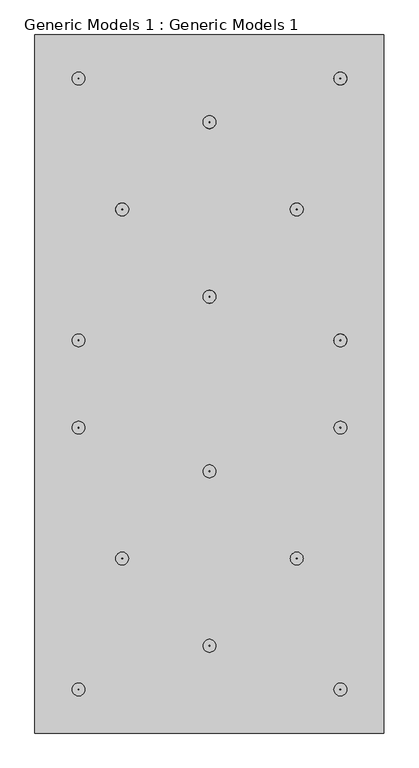
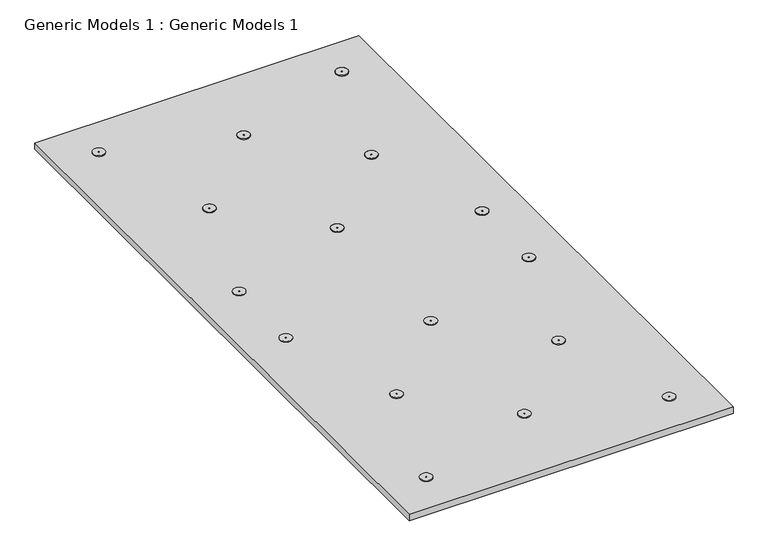
"""IFC4 building model written with IfcOpenShell, lengths in millimetres: proxy geometry, Generic Models 1 : Generic Models 1."""

from ifc_helpers import new_model, si_unit, point, frame, frame_2d, origin, origin_with_axes, place, context, project, spatial, polyline, circle_curve, trimmed, segment, composite_curve, outline, extrude, source, transform, mapped, element, save


def generic_models_1_generic_models_1_ca8e3b29(model_context):
    return source(origin(), model_context, "Body", "SweptSolid", [
        extrude(outline(composite_curve([segment(trimmed(circle_curve(frame_2d((117.2726139, 1435.1286599)), 22.225), [point((117.2726139, 1412.9036599))], [point((117.2726139, 1457.3536599))], False, "CARTESIAN"), True, "CONTINUOUS"), segment(trimmed(circle_curve(frame_2d((117.2726139, 1435.1286599)), 22.225), [point((117.2726139, 1457.3536599))], [point((117.2726139, 1412.9036599))], False, "CARTESIAN"), True, "CONTINUOUS")], self_intersect=False), holes=[composite_curve([segment(trimmed(circle_curve(frame_2d((117.2726139, 1435.1286599)), 1.5875), [point((117.2726139, 1433.5411599))], [point((117.2726139, 1436.7161599))], True, "CARTESIAN"), True, "CONTINUOUS"), segment(trimmed(circle_curve(frame_2d((117.2726139, 1435.1286599)), 1.5875), [point((117.2726139, 1436.7161599))], [point((117.2726139, 1433.5411599))], True, "CARTESIAN"), True, "CONTINUOUS")], self_intersect=False)]), frame((0.0, 0.0, 25.4), z_axis=(0.0, 0.0, 1.0), x_axis=(1.0, 0.0, 0.0)), (0.0, 0.0, 1.0), 3.175),
        extrude(outline(composite_curve([segment(trimmed(circle_curve(frame_2d((-339.9273861, 1587.5286599)), 22.225), [point((-339.9273861, 1565.3036599))], [point((-339.9273861, 1609.7536599))], False, "CARTESIAN"), True, "CONTINUOUS"), segment(trimmed(circle_curve(frame_2d((-339.9273861, 1587.5286599)), 22.225), [point((-339.9273861, 1609.7536599))], [point((-339.9273861, 1565.3036599))], False, "CARTESIAN"), True, "CONTINUOUS")], self_intersect=False), holes=[composite_curve([segment(trimmed(circle_curve(frame_2d((-339.9273861, 1587.5286599)), 1.5875), [point((-339.9273861, 1585.9411599))], [point((-339.9273861, 1589.1161599))], True, "CARTESIAN"), True, "CONTINUOUS"), segment(trimmed(circle_curve(frame_2d((-339.9273861, 1587.5286599)), 1.5875), [point((-339.9273861, 1589.1161599))], [point((-339.9273861, 1585.9411599))], True, "CARTESIAN"), True, "CONTINUOUS")], self_intersect=False)]), frame((0.0, 0.0, 25.4), z_axis=(0.0, 0.0, 1.0), x_axis=(1.0, 0.0, 0.0)), (0.0, 0.0, 1.0), 3.175),
        extrude(outline(composite_curve([segment(trimmed(circle_curve(frame_2d((-644.7273861, 1892.3286599)), 22.225), [point((-644.7273861, 1870.1036599))], [point((-644.7273861, 1914.5536599))], False, "CARTESIAN"), True, "CONTINUOUS"), segment(trimmed(circle_curve(frame_2d((-644.7273861, 1892.3286599)), 22.225), [point((-644.7273861, 1914.5536599))], [point((-644.7273861, 1870.1036599))], False, "CARTESIAN"), True, "CONTINUOUS")], self_intersect=False), holes=[composite_curve([segment(trimmed(circle_curve(frame_2d((-644.7273861, 1892.3286599)), 1.5875), [point((-644.7273861, 1890.7411599))], [point((-644.7273861, 1893.9161599))], True, "CARTESIAN"), True, "CONTINUOUS"), segment(trimmed(circle_curve(frame_2d((-644.7273861, 1892.3286599)), 1.5875), [point((-644.7273861, 1893.9161599))], [point((-644.7273861, 1890.7411599))], True, "CARTESIAN"), True, "CONTINUOUS")], self_intersect=False)]), frame((0.0, 0.0, 25.4), z_axis=(0.0, 0.0, 1.0), x_axis=(1.0, 0.0, 0.0)), (0.0, 0.0, 1.0), 3.175),
        extrude(outline(composite_curve([segment(trimmed(circle_curve(frame_2d((-339.9273861, 2197.1286599)), 22.225), [point((-339.9273861, 2174.9036599))], [point((-339.9273861, 2219.3536599))], False, "CARTESIAN"), True, "CONTINUOUS"), segment(trimmed(circle_curve(frame_2d((-339.9273861, 2197.1286599)), 22.225), [point((-339.9273861, 2219.3536599))], [point((-339.9273861, 2174.9036599))], False, "CARTESIAN"), True, "CONTINUOUS")], self_intersect=False), holes=[composite_curve([segment(trimmed(circle_curve(frame_2d((-339.9273861, 2197.1286599)), 1.5875), [point((-339.9273861, 2195.5411599))], [point((-339.9273861, 2198.7161599))], True, "CARTESIAN"), True, "CONTINUOUS"), segment(trimmed(circle_curve(frame_2d((-339.9273861, 2197.1286599)), 1.5875), [point((-339.9273861, 2198.7161599))], [point((-339.9273861, 2195.5411599))], True, "CARTESIAN"), True, "CONTINUOUS")], self_intersect=False)]), frame((0.0, 0.0, 25.4), z_axis=(0.0, 0.0, 1.0), x_axis=(1.0, 0.0, 0.0)), (0.0, 0.0, 1.0), 3.175),
        extrude(outline(composite_curve([segment(trimmed(circle_curve(frame_2d((-35.1273861, 1892.3286599)), 22.225), [point((-35.1273861, 1870.1036599))], [point((-35.1273861, 1914.5536599))], False, "CARTESIAN"), True, "CONTINUOUS"), segment(trimmed(circle_curve(frame_2d((-35.1273861, 1892.3286599)), 22.225), [point((-35.1273861, 1914.5536599))], [point((-35.1273861, 1870.1036599))], False, "CARTESIAN"), True, "CONTINUOUS")], self_intersect=False), holes=[composite_curve([segment(trimmed(circle_curve(frame_2d((-35.1273861, 1892.3286599)), 1.5875), [point((-35.1273861, 1890.7411599))], [point((-35.1273861, 1893.9161599))], True, "CARTESIAN"), True, "CONTINUOUS"), segment(trimmed(circle_curve(frame_2d((-35.1273861, 1892.3286599)), 1.5875), [point((-35.1273861, 1893.9161599))], [point((-35.1273861, 1890.7411599))], True, "CARTESIAN"), True, "CONTINUOUS")], self_intersect=False)]), frame((0.0, 0.0, 25.4), z_axis=(0.0, 0.0, 1.0), x_axis=(1.0, 0.0, 0.0)), (0.0, 0.0, 1.0), 3.175),
        extrude(outline(composite_curve([segment(trimmed(circle_curve(frame_2d((117.2726139, 2349.5286599)), 22.225), [point((117.2726139, 2327.3036599))], [point((117.2726139, 2371.7536599))], False, "CARTESIAN"), True, "CONTINUOUS"), segment(trimmed(circle_curve(frame_2d((117.2726139, 2349.5286599)), 22.225), [point((117.2726139, 2371.7536599))], [point((117.2726139, 2327.3036599))], False, "CARTESIAN"), True, "CONTINUOUS")], self_intersect=False), holes=[composite_curve([segment(trimmed(circle_curve(frame_2d((117.2726139, 2349.5286599)), 1.5875), [point((117.2726139, 2347.9411599))], [point((117.2726139, 2351.1161599))], True, "CARTESIAN"), True, "CONTINUOUS"), segment(trimmed(circle_curve(frame_2d((117.2726139, 2349.5286599)), 1.5875), [point((117.2726139, 2351.1161599))], [point((117.2726139, 2347.9411599))], True, "CARTESIAN"), True, "CONTINUOUS")], self_intersect=False)]), frame((0.0, 0.0, 25.4), z_axis=(0.0, 0.0, 1.0), x_axis=(1.0, 0.0, 0.0)), (0.0, 0.0, 1.0), 3.175),
        extrude(outline(composite_curve([segment(trimmed(circle_curve(frame_2d((-797.1273861, 1130.3286599)), 22.225), [point((-819.3523861, 1130.3286599))], [point((-774.9023861, 1130.3286599))], False, "CARTESIAN"), True, "CONTINUOUS"), segment(trimmed(circle_curve(frame_2d((-797.1273861, 1130.3286599)), 22.225), [point((-774.9023861, 1130.3286599))], [point((-819.3523861, 1130.3286599))], False, "CARTESIAN"), True, "CONTINUOUS")], self_intersect=False), holes=[composite_curve([segment(trimmed(circle_curve(frame_2d((-797.1273861, 1130.3286599)), 1.5875), [point((-798.7148861, 1130.3286599))], [point((-795.5398861, 1130.3286599))], True, "CARTESIAN"), True, "CONTINUOUS"), segment(trimmed(circle_curve(frame_2d((-797.1273861, 1130.3286599)), 1.5875), [point((-795.5398861, 1130.3286599))], [point((-798.7148861, 1130.3286599))], True, "CARTESIAN"), True, "CONTINUOUS")], self_intersect=False)]), frame((0.0, 0.0, 25.4), z_axis=(0.0, 0.0, 1.0), x_axis=(1.0, 0.0, 0.0)), (0.0, 0.0, 1.0), 3.175),
        extrude(outline(composite_curve([segment(trimmed(circle_curve(frame_2d((117.2726139, 1130.3286599)), 22.225), [point((95.0476139, 1130.3286599))], [point((139.4976139, 1130.3286599))], False, "CARTESIAN"), True, "CONTINUOUS"), segment(trimmed(circle_curve(frame_2d((117.2726139, 1130.3286599)), 22.225), [point((139.4976139, 1130.3286599))], [point((95.0476139, 1130.3286599))], False, "CARTESIAN"), True, "CONTINUOUS")], self_intersect=False), holes=[composite_curve([segment(trimmed(circle_curve(frame_2d((117.2726139, 1130.3286599)), 1.5875), [point((115.6851139, 1130.3286599))], [point((118.8601139, 1130.3286599))], True, "CARTESIAN"), True, "CONTINUOUS"), segment(trimmed(circle_curve(frame_2d((117.2726139, 1130.3286599)), 1.5875), [point((118.8601139, 1130.3286599))], [point((115.6851139, 1130.3286599))], True, "CARTESIAN"), True, "CONTINUOUS")], self_intersect=False)]), frame((0.0, 0.0, 25.4), z_axis=(0.0, 0.0, 1.0), x_axis=(1.0, 0.0, 0.0)), (0.0, 0.0, 1.0), 3.175),
        extrude(outline(composite_curve([segment(trimmed(circle_curve(frame_2d((-35.1273861, 673.1286599)), 22.225), [point((-57.3523861, 673.1286599))], [point((-12.9023861, 673.1286599))], False, "CARTESIAN"), True, "CONTINUOUS"), segment(trimmed(circle_curve(frame_2d((-35.1273861, 673.1286599)), 22.225), [point((-12.9023861, 673.1286599))], [point((-57.3523861, 673.1286599))], False, "CARTESIAN"), True, "CONTINUOUS")], self_intersect=False), holes=[composite_curve([segment(trimmed(circle_curve(frame_2d((-35.1273861, 673.1286599)), 1.5875), [point((-36.7148861, 673.1286599))], [point((-33.5398861, 673.1286599))], True, "CARTESIAN"), True, "CONTINUOUS"), segment(trimmed(circle_curve(frame_2d((-35.1273861, 673.1286599)), 1.5875), [point((-33.5398861, 673.1286599))], [point((-36.7148861, 673.1286599))], True, "CARTESIAN"), True, "CONTINUOUS")], self_intersect=False)]), frame((0.0, 0.0, 25.4), z_axis=(0.0, 0.0, 1.0), x_axis=(1.0, 0.0, 0.0)), (0.0, 0.0, 1.0), 3.175),
        extrude(outline(composite_curve([segment(trimmed(circle_curve(frame_2d((-339.9273861, 977.9286599)), 22.225), [point((-362.1523861, 977.9286599))], [point((-317.7023861, 977.9286599))], False, "CARTESIAN"), True, "CONTINUOUS"), segment(trimmed(circle_curve(frame_2d((-339.9273861, 977.9286599)), 22.225), [point((-317.7023861, 977.9286599))], [point((-362.1523861, 977.9286599))], False, "CARTESIAN"), True, "CONTINUOUS")], self_intersect=False), holes=[composite_curve([segment(trimmed(circle_curve(frame_2d((-339.9273861, 977.9286599)), 1.5875), [point((-341.5148861, 977.9286599))], [point((-338.3398861, 977.9286599))], True, "CARTESIAN"), True, "CONTINUOUS"), segment(trimmed(circle_curve(frame_2d((-339.9273861, 977.9286599)), 1.5875), [point((-338.3398861, 977.9286599))], [point((-341.5148861, 977.9286599))], True, "CARTESIAN"), True, "CONTINUOUS")], self_intersect=False)]), frame((0.0, 0.0, 25.4), z_axis=(0.0, 0.0, 1.0), x_axis=(1.0, 0.0, 0.0)), (0.0, 0.0, 1.0), 3.175),
        extrude(outline(composite_curve([segment(trimmed(circle_curve(frame_2d((-644.7273861, 673.1286599)), 22.225), [point((-666.9523861, 673.1286599))], [point((-622.5023861, 673.1286599))], False, "CARTESIAN"), True, "CONTINUOUS"), segment(trimmed(circle_curve(frame_2d((-644.7273861, 673.1286599)), 22.225), [point((-622.5023861, 673.1286599))], [point((-666.9523861, 673.1286599))], False, "CARTESIAN"), True, "CONTINUOUS")], self_intersect=False), holes=[composite_curve([segment(trimmed(circle_curve(frame_2d((-644.7273861, 673.1286599)), 1.5875), [point((-646.3148861, 673.1286599))], [point((-643.1398861, 673.1286599))], True, "CARTESIAN"), True, "CONTINUOUS"), segment(trimmed(circle_curve(frame_2d((-644.7273861, 673.1286599)), 1.5875), [point((-643.1398861, 673.1286599))], [point((-646.3148861, 673.1286599))], True, "CARTESIAN"), True, "CONTINUOUS")], self_intersect=False)]), frame((0.0, 0.0, 25.4), z_axis=(0.0, 0.0, 1.0), x_axis=(1.0, 0.0, 0.0)), (0.0, 0.0, 1.0), 3.175),
        extrude(outline(composite_curve([segment(trimmed(circle_curve(frame_2d((-339.9273861, 368.3286599)), 22.225), [point((-362.1523861, 368.3286599))], [point((-317.7023861, 368.3286599))], False, "CARTESIAN"), True, "CONTINUOUS"), segment(trimmed(circle_curve(frame_2d((-339.9273861, 368.3286599)), 22.225), [point((-317.7023861, 368.3286599))], [point((-362.1523861, 368.3286599))], False, "CARTESIAN"), True, "CONTINUOUS")], self_intersect=False), holes=[composite_curve([segment(trimmed(circle_curve(frame_2d((-339.9273861, 368.3286599)), 1.5875), [point((-341.5148861, 368.3286599))], [point((-338.3398861, 368.3286599))], True, "CARTESIAN"), True, "CONTINUOUS"), segment(trimmed(circle_curve(frame_2d((-339.9273861, 368.3286599)), 1.5875), [point((-338.3398861, 368.3286599))], [point((-341.5148861, 368.3286599))], True, "CARTESIAN"), True, "CONTINUOUS")], self_intersect=False)]), frame((0.0, 0.0, 25.4), z_axis=(0.0, 0.0, 1.0), x_axis=(1.0, 0.0, 0.0)), (0.0, 0.0, 1.0), 3.175),
        extrude(outline(composite_curve([segment(trimmed(circle_curve(frame_2d((-797.1273861, 215.9286599)), 22.225), [point((-774.9023861, 215.9286599))], [point((-819.3523861, 215.9286599))], False, "CARTESIAN"), True, "CONTINUOUS"), segment(trimmed(circle_curve(frame_2d((-797.1273861, 215.9286599)), 22.225), [point((-819.3523861, 215.9286599))], [point((-774.9023861, 215.9286599))], False, "CARTESIAN"), True, "CONTINUOUS")], self_intersect=False), holes=[composite_curve([segment(trimmed(circle_curve(frame_2d((-797.1273861, 215.9286599)), 1.5875), [point((-795.5398861, 215.9286599))], [point((-798.7148861, 215.9286599))], True, "CARTESIAN"), True, "CONTINUOUS"), segment(trimmed(circle_curve(frame_2d((-797.1273861, 215.9286599)), 1.5875), [point((-798.7148861, 215.9286599))], [point((-795.5398861, 215.9286599))], True, "CARTESIAN"), True, "CONTINUOUS")], self_intersect=False)]), frame((0.0, 0.0, 25.4), z_axis=(0.0, 0.0, 1.0), x_axis=(1.0, 0.0, 0.0)), (0.0, 0.0, 1.0), 3.175),
        extrude(outline(composite_curve([segment(trimmed(circle_curve(frame_2d((117.2726139, 215.9286599)), 22.225), [point((95.0476139, 215.9286599))], [point((139.4976139, 215.9286599))], False, "CARTESIAN"), True, "CONTINUOUS"), segment(trimmed(circle_curve(frame_2d((117.2726139, 215.9286599)), 22.225), [point((139.4976139, 215.9286599))], [point((95.0476139, 215.9286599))], False, "CARTESIAN"), True, "CONTINUOUS")], self_intersect=False), holes=[composite_curve([segment(trimmed(circle_curve(frame_2d((117.2726139, 215.9286599)), 1.5875), [point((115.6851139, 215.9286599))], [point((118.8601139, 215.9286599))], True, "CARTESIAN"), True, "CONTINUOUS"), segment(trimmed(circle_curve(frame_2d((117.2726139, 215.9286599)), 1.5875), [point((118.8601139, 215.9286599))], [point((115.6851139, 215.9286599))], True, "CARTESIAN"), True, "CONTINUOUS")], self_intersect=False)]), frame((0.0, 0.0, 25.4), z_axis=(0.0, 0.0, 1.0), x_axis=(1.0, 0.0, 0.0)), (0.0, 0.0, 1.0), 3.175),
        extrude(outline(composite_curve([segment(trimmed(circle_curve(frame_2d((-797.1273861, 1435.1286599)), 22.225), [point((-819.3523861, 1435.1286599))], [point((-774.9023861, 1435.1286599))], False, "CARTESIAN"), True, "CONTINUOUS"), segment(trimmed(circle_curve(frame_2d((-797.1273861, 1435.1286599)), 22.225), [point((-774.9023861, 1435.1286599))], [point((-819.3523861, 1435.1286599))], False, "CARTESIAN"), True, "CONTINUOUS")], self_intersect=False), holes=[composite_curve([segment(trimmed(circle_curve(frame_2d((-797.1273861, 1435.1286599)), 1.5875), [point((-798.7148861, 1435.1286599))], [point((-795.5398861, 1435.1286599))], True, "CARTESIAN"), True, "CONTINUOUS"), segment(trimmed(circle_curve(frame_2d((-797.1273861, 1435.1286599)), 1.5875), [point((-795.5398861, 1435.1286599))], [point((-798.7148861, 1435.1286599))], True, "CARTESIAN"), True, "CONTINUOUS")], self_intersect=False)]), frame((0.0, 0.0, 25.4), z_axis=(0.0, 0.0, 1.0), x_axis=(1.0, 0.0, 0.0)), (0.0, 0.0, 1.0), 3.175),
        extrude(outline(composite_curve([segment(trimmed(circle_curve(frame_2d((117.2726139, 1435.1286599)), 22.225), [point((95.0476139, 1435.1286599))], [point((139.4976139, 1435.1286599))], False, "CARTESIAN"), True, "CONTINUOUS"), segment(trimmed(circle_curve(frame_2d((117.2726139, 1435.1286599)), 22.225), [point((139.4976139, 1435.1286599))], [point((95.0476139, 1435.1286599))], False, "CARTESIAN"), True, "CONTINUOUS")], self_intersect=False), holes=[composite_curve([segment(trimmed(circle_curve(frame_2d((117.2726139, 1435.1286599)), 1.5875), [point((115.6851139, 1435.1286599))], [point((118.8601139, 1435.1286599))], True, "CARTESIAN"), True, "CONTINUOUS"), segment(trimmed(circle_curve(frame_2d((117.2726139, 1435.1286599)), 1.5875), [point((118.8601139, 1435.1286599))], [point((115.6851139, 1435.1286599))], True, "CARTESIAN"), True, "CONTINUOUS")], self_intersect=False)]), frame((0.0, 0.0, 25.4), z_axis=(0.0, 0.0, 1.0), x_axis=(1.0, 0.0, 0.0)), (0.0, 0.0, 1.0), 3.175),
        extrude(outline(composite_curve([segment(trimmed(circle_curve(frame_2d((-35.1273861, 1892.3286599)), 22.225), [point((-57.3523861, 1892.3286599))], [point((-12.9023861, 1892.3286599))], False, "CARTESIAN"), True, "CONTINUOUS"), segment(trimmed(circle_curve(frame_2d((-35.1273861, 1892.3286599)), 22.225), [point((-12.9023861, 1892.3286599))], [point((-57.3523861, 1892.3286599))], False, "CARTESIAN"), True, "CONTINUOUS")], self_intersect=False), holes=[composite_curve([segment(trimmed(circle_curve(frame_2d((-35.1273861, 1892.3286599)), 1.5875), [point((-36.7148861, 1892.3286599))], [point((-33.5398861, 1892.3286599))], True, "CARTESIAN"), True, "CONTINUOUS"), segment(trimmed(circle_curve(frame_2d((-35.1273861, 1892.3286599)), 1.5875), [point((-33.5398861, 1892.3286599))], [point((-36.7148861, 1892.3286599))], True, "CARTESIAN"), True, "CONTINUOUS")], self_intersect=False)]), frame((0.0, 0.0, 25.4), z_axis=(0.0, 0.0, 1.0), x_axis=(1.0, 0.0, 0.0)), (0.0, 0.0, 1.0), 3.175),
        extrude(outline(composite_curve([segment(trimmed(circle_curve(frame_2d((-339.9273861, 1587.5286599)), 22.225), [point((-362.1523861, 1587.5286599))], [point((-317.7023861, 1587.5286599))], False, "CARTESIAN"), True, "CONTINUOUS"), segment(trimmed(circle_curve(frame_2d((-339.9273861, 1587.5286599)), 22.225), [point((-317.7023861, 1587.5286599))], [point((-362.1523861, 1587.5286599))], False, "CARTESIAN"), True, "CONTINUOUS")], self_intersect=False), holes=[composite_curve([segment(trimmed(circle_curve(frame_2d((-339.9273861, 1587.5286599)), 1.5875), [point((-341.5148861, 1587.5286599))], [point((-338.3398861, 1587.5286599))], True, "CARTESIAN"), True, "CONTINUOUS"), segment(trimmed(circle_curve(frame_2d((-339.9273861, 1587.5286599)), 1.5875), [point((-338.3398861, 1587.5286599))], [point((-341.5148861, 1587.5286599))], True, "CARTESIAN"), True, "CONTINUOUS")], self_intersect=False)]), frame((0.0, 0.0, 25.4), z_axis=(0.0, 0.0, 1.0), x_axis=(1.0, 0.0, 0.0)), (0.0, 0.0, 1.0), 3.175),
        extrude(outline(composite_curve([segment(trimmed(circle_curve(frame_2d((-644.7273861, 1892.3286599)), 22.225), [point((-666.9523861, 1892.3286599))], [point((-622.5023861, 1892.3286599))], False, "CARTESIAN"), True, "CONTINUOUS"), segment(trimmed(circle_curve(frame_2d((-644.7273861, 1892.3286599)), 22.225), [point((-622.5023861, 1892.3286599))], [point((-666.9523861, 1892.3286599))], False, "CARTESIAN"), True, "CONTINUOUS")], self_intersect=False), holes=[composite_curve([segment(trimmed(circle_curve(frame_2d((-644.7273861, 1892.3286599)), 1.5875), [point((-646.3148861, 1892.3286599))], [point((-643.1398861, 1892.3286599))], True, "CARTESIAN"), True, "CONTINUOUS"), segment(trimmed(circle_curve(frame_2d((-644.7273861, 1892.3286599)), 1.5875), [point((-643.1398861, 1892.3286599))], [point((-646.3148861, 1892.3286599))], True, "CARTESIAN"), True, "CONTINUOUS")], self_intersect=False)]), frame((0.0, 0.0, 25.4), z_axis=(0.0, 0.0, 1.0), x_axis=(1.0, 0.0, 0.0)), (0.0, 0.0, 1.0), 3.175),
        extrude(outline(composite_curve([segment(trimmed(circle_curve(frame_2d((-339.9273861, 2197.1286599)), 22.225), [point((-362.1523861, 2197.1286599))], [point((-317.7023861, 2197.1286599))], False, "CARTESIAN"), True, "CONTINUOUS"), segment(trimmed(circle_curve(frame_2d((-339.9273861, 2197.1286599)), 22.225), [point((-317.7023861, 2197.1286599))], [point((-362.1523861, 2197.1286599))], False, "CARTESIAN"), True, "CONTINUOUS")], self_intersect=False), holes=[composite_curve([segment(trimmed(circle_curve(frame_2d((-339.9273861, 2197.1286599)), 1.5875), [point((-341.5148861, 2197.1286599))], [point((-338.3398861, 2197.1286599))], True, "CARTESIAN"), True, "CONTINUOUS"), segment(trimmed(circle_curve(frame_2d((-339.9273861, 2197.1286599)), 1.5875), [point((-338.3398861, 2197.1286599))], [point((-341.5148861, 2197.1286599))], True, "CARTESIAN"), True, "CONTINUOUS")], self_intersect=False)]), frame((0.0, 0.0, 25.4), z_axis=(0.0, 0.0, 1.0), x_axis=(1.0, 0.0, 0.0)), (0.0, 0.0, 1.0), 3.175),
        extrude(outline(composite_curve([segment(trimmed(circle_curve(frame_2d((-797.1273861, 2349.5286599)), 22.225), [point((-774.9023861, 2349.5286599))], [point((-819.3523861, 2349.5286599))], False, "CARTESIAN"), True, "CONTINUOUS"), segment(trimmed(circle_curve(frame_2d((-797.1273861, 2349.5286599)), 22.225), [point((-819.3523861, 2349.5286599))], [point((-774.9023861, 2349.5286599))], False, "CARTESIAN"), True, "CONTINUOUS")], self_intersect=False), holes=[composite_curve([segment(trimmed(circle_curve(frame_2d((-797.1273861, 2349.5286599)), 1.5875), [point((-795.5398861, 2349.5286599))], [point((-798.7148861, 2349.5286599))], True, "CARTESIAN"), True, "CONTINUOUS"), segment(trimmed(circle_curve(frame_2d((-797.1273861, 2349.5286599)), 1.5875), [point((-798.7148861, 2349.5286599))], [point((-795.5398861, 2349.5286599))], True, "CARTESIAN"), True, "CONTINUOUS")], self_intersect=False)]), frame((0.0, 0.0, 25.4), z_axis=(0.0, 0.0, 1.0), x_axis=(1.0, 0.0, 0.0)), (0.0, 0.0, 1.0), 3.175),
        extrude(outline(composite_curve([segment(trimmed(circle_curve(frame_2d((117.2726139, 2349.5286599)), 22.225), [point((95.0476139, 2349.5286599))], [point((139.4976139, 2349.5286599))], False, "CARTESIAN"), True, "CONTINUOUS"), segment(trimmed(circle_curve(frame_2d((117.2726139, 2349.5286599)), 22.225), [point((139.4976139, 2349.5286599))], [point((95.0476139, 2349.5286599))], False, "CARTESIAN"), True, "CONTINUOUS")], self_intersect=False), holes=[composite_curve([segment(trimmed(circle_curve(frame_2d((117.2726139, 2349.5286599)), 1.5875), [point((115.6851139, 2349.5286599))], [point((118.8601139, 2349.5286599))], True, "CARTESIAN"), True, "CONTINUOUS"), segment(trimmed(circle_curve(frame_2d((117.2726139, 2349.5286599)), 1.5875), [point((118.8601139, 2349.5286599))], [point((115.6851139, 2349.5286599))], True, "CARTESIAN"), True, "CONTINUOUS")], self_intersect=False)]), frame((0.0, 0.0, 25.4), z_axis=(0.0, 0.0, 1.0), x_axis=(1.0, 0.0, 0.0)), (0.0, 0.0, 1.0), 3.175),
        extrude(outline(polyline([(-949.5273861, 2501.9286599), (269.6726139, 2501.9286599), (269.6726139, 63.5286599), (-949.5273861, 63.5286599), (-949.5273861, 2501.9286599)])), origin_with_axes(), (0.0, 0.0, 1.0), 25.4),
    ])


if __name__ == "__main__":
    model = new_model("IFC4")
    model_context = context("Model", 3, world=origin())
    ifc_project = project(units=[si_unit("LENGTHUNIT", "METRE", prefix="MILLI")], contexts=[model_context])
    site = spatial("IfcSite", under=ifc_project)
    building = spatial("IfcBuilding", under=site)
    placement = place(None, origin())
    generic_models_1_generic_models_1_shape = generic_models_1_generic_models_1_ca8e3b29(model_context)
    element("IfcBuildingElementProxy", 1, Name="Generic Models 1 : Generic Models 1", ObjectType="Generic Models 1 : Generic Models 1", at=placement, inside=building, context=model_context, shape_type="MappedRepresentation", body=[
        mapped(generic_models_1_generic_models_1_shape, transform((0.0, 0.0, 0.0), x_axis=(1.0, 0.0, 0.0), y_axis=(0.0, 1.0, 0.0), z_axis=(0.0, 0.0, 1.0))),
    ])
    save(model, "model.ifc")
